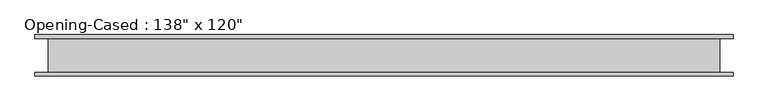
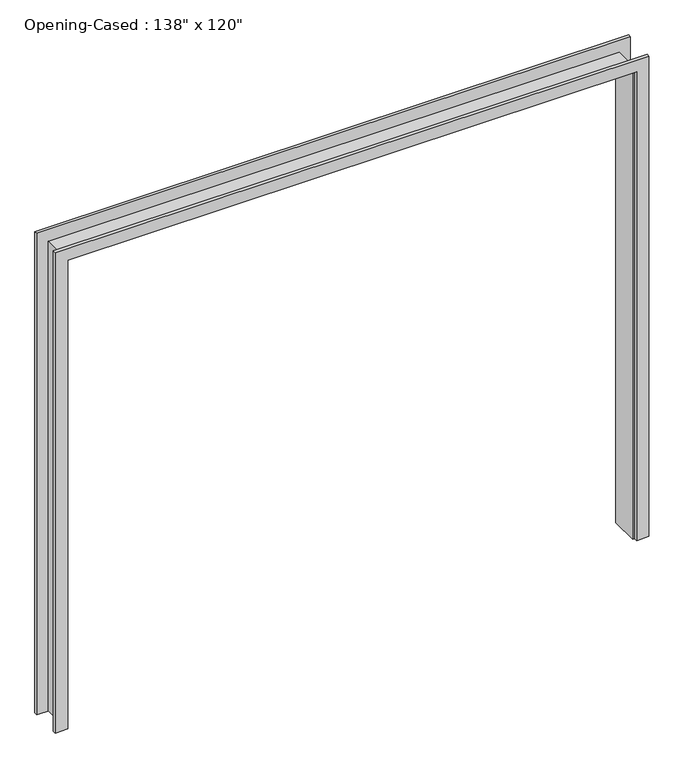
"""IFC4 building model written with IfcOpenShell, lengths in millimetres: proxy geometry."""

import ifcopenshell
import ifcopenshell.guid

model = None  # the IFC model being written
_history = None  # IfcOwnerHistory: only IFC2X3 demands one
_inside = {}  # id of a spatial element -> (the spatial element, [elements in it])
_under = {}  # id of a project, library or spatial element -> (it, [spatial elements below it])
_declared = {}  # id of a project -> (the project, [libraries it declares])
_typed = {}  # id of a type object -> (the type object, [elements of that type])
_made_of = {}  # id of a material, layer set ... -> (it, [elements and type objects made of it])


def new_model(schema):
    """Start an empty IFC model of exactly this schema.

    Asked for "IFC4X3", IfcOpenShell would pick the latest addendum, in which some entities
    have other attributes; the version numbers below select the first issue.
    IFC2X3 requires an IfcOwnerHistory on every rooted entity: one is made here for all.
    """
    global model, _history
    if schema == "IFC4X3":
        model = ifcopenshell.file(schema_version=(4, 3, 0, 0))
    else:
        model = ifcopenshell.file(schema=schema)
    _inside.clear()
    _under.clear()
    _declared.clear()
    _typed.clear()
    _made_of.clear()
    _history = None
    if model.schema == "IFC2X3":
        org = make("IfcOrganization", Name="unknown")
        user = make(
            "IfcPersonAndOrganization",
            ThePerson=make("IfcPerson", FamilyName="unknown"),
            TheOrganization=org,
        )
        app = make(
            "IfcApplication",
            ApplicationDeveloper=org,
            Version="unknown",
            ApplicationFullName="unknown",
            ApplicationIdentifier="unknown",
        )
        _history = make(
            "IfcOwnerHistory",
            OwningUser=user,
            OwningApplication=app,
            ChangeAction="ADDED",
            CreationDate=0,
        )
    return model


def make(cls, **values):
    """One entity of the class cls with the attributes given. An attribute that is None is left unset."""
    return model.create_entity(
        cls, **{name: value for name, value in values.items() if value is not None}
    )


def rooted(cls, **values):
    """An entity with a GlobalId (a new one), such as an element, a storey or a relation."""
    return make(cls, GlobalId=ifcopenshell.guid.new(), OwnerHistory=_history, **values)


def si_unit(unit_type, name, prefix=None):
    """IfcSIUnit, for example si_unit("LENGTHUNIT", "METRE", prefix="MILLI")."""
    return make("IfcSIUnit", UnitType=unit_type, Prefix=prefix, Name=name)


def assignment(units):
    """IfcUnitAssignment: the units of a project."""
    return None if units is None else make("IfcUnitAssignment", Units=units)


def point(xyz):
    """IfcCartesianPoint."""
    return None if xyz is None else make("IfcCartesianPoint", Coordinates=xyz)


def direction(xyz):
    """IfcDirection."""
    return None if xyz is None else make("IfcDirection", DirectionRatios=xyz)


def frame(location, z_axis=None, x_axis=None):
    """IfcAxis2Placement3D, a coordinate frame: its origin and axes. An axis left out is left unset."""
    return make(
        "IfcAxis2Placement3D",
        Location=point(location),
        Axis=direction(z_axis),
        RefDirection=direction(x_axis),
    )


def origin():
    """The frame at (0, 0, 0) with its axes left unset."""
    return frame((0.0, 0.0, 0.0))


def place(relative_to, where):
    """IfcLocalPlacement: puts the frame where relative to a parent placement (None: the world)."""
    return make(
        "IfcLocalPlacement", PlacementRelTo=relative_to, RelativePlacement=where
    )


def context(
    kind, dimensions, precision=None, world=None, true_north=None, identifier=None
):
    """IfcGeometricRepresentationContext, for example the 3D "Model" context."""
    return make(
        "IfcGeometricRepresentationContext",
        ContextIdentifier=identifier,
        ContextType=kind,
        CoordinateSpaceDimension=dimensions,
        Precision=precision,
        WorldCoordinateSystem=world,
        TrueNorth=true_north,
    )


def project(units=None, contexts=None):
    """IfcProject with its units and contexts."""
    return rooted(
        "IfcProject",
        Name="project",
        RepresentationContexts=contexts,
        UnitsInContext=assignment(units),
    )


def spatial(cls, under=None, at=None, **own):
    """A site, building, storey or space (cls), placed at a placement, below another one or the project."""
    s = rooted(cls, ObjectPlacement=at, **own)
    if under is not None:
        _under.setdefault(under.id(), (under, []))[1].append(s)
    return s


def polyline(points):
    """IfcPolyline through the points."""
    return make("IfcPolyline", Points=[point(p) for p in points])


def outline(outer, holes=None, kind="AREA"):
    """IfcArbitraryClosedProfileDef: a profile drawn as a closed curve; with holes, ...WithVoids."""
    if holes is None:
        return make("IfcArbitraryClosedProfileDef", ProfileType=kind, OuterCurve=outer)
    return make(
        "IfcArbitraryProfileDefWithVoids",
        ProfileType=kind,
        OuterCurve=outer,
        InnerCurves=holes,
    )


def extrude(swept, where, along, depth):
    """IfcExtrudedAreaSolid: the profile swept, set in the frame where, extruded along a direction by depth."""
    return make(
        "IfcExtrudedAreaSolid",
        SweptArea=swept,
        Position=where,
        ExtrudedDirection=direction(along),
        Depth=depth,
    )


def faces_of(points, faces, orient=None, outer=None):
    """IfcFace entities. A face is a list of loops; a loop is a list of indices into points, from 0.

    orient and outer hold one flag for each loop. By default every Orientation is true, the
    first loop of a face is its IfcFaceOuterBound and the others are IfcFaceBound.
    """
    made = []
    for i, loops in enumerate(faces):
        bounds = []
        for j, loop in enumerate(loops):
            is_outer = j == 0 if outer is None else outer[i][j]
            bounds.append(
                make(
                    "IfcFaceOuterBound" if is_outer else "IfcFaceBound",
                    Bound=make("IfcPolyLoop", Polygon=[points[k] for k in loop]),
                    Orientation=True if orient is None else orient[i][j],
                )
            )
        made.append(make("IfcFace", Bounds=bounds))
    return made


def faceted_brep(points, faces, orient=None, outer=None, voids=None):
    """IfcFacetedBrep: a solid bounded by flat faces; with voids (closed shells), ...WithVoids."""
    shared = [point(p) for p in points]
    hull = make("IfcClosedShell", CfsFaces=faces_of(shared, faces, orient, outer))
    if voids is None:
        return make("IfcFacetedBrep", Outer=hull)
    return make(
        "IfcFacetedBrepWithVoids",
        Outer=hull,
        Voids=[
            make(cls, CfsFaces=faces_of(shared, fs, o, b)) for cls, fs, o, b in voids
        ],
    )


def shape(context_of_items, identifier, shape_type, items):
    """IfcShapeRepresentation: the items that make up one representation, for example the "Body"."""
    return make(
        "IfcShapeRepresentation",
        ContextOfItems=context_of_items,
        RepresentationIdentifier=identifier,
        RepresentationType=shape_type,
        Items=items,
    )


def source(mapping_origin, context_of_items, identifier, shape_type, items):
    """IfcRepresentationMap: a shape defined once, which mapped items show again and again."""
    return make(
        "IfcRepresentationMap",
        MappingOrigin=mapping_origin,
        MappedRepresentation=shape(context_of_items, identifier, shape_type, items),
    )


def transform(
    local_origin,
    x_axis=None,
    y_axis=None,
    z_axis=None,
    scale=None,
    scale2=None,
    scale3=None,
    uniform=True,
):
    """IfcCartesianTransformationOperator3D, or its non-uniform kind. x_axis, y_axis, z_axis: its Axis1, 2, 3."""
    if uniform:
        return make(
            "IfcCartesianTransformationOperator3D",
            Axis1=direction(x_axis),
            Axis2=direction(y_axis),
            LocalOrigin=point(local_origin),
            Scale=scale,
            Axis3=direction(z_axis),
        )
    return make(
        "IfcCartesianTransformationOperator3DnonUniform",
        Axis1=direction(x_axis),
        Axis2=direction(y_axis),
        LocalOrigin=point(local_origin),
        Scale=scale,
        Axis3=direction(z_axis),
        Scale2=scale2,
        Scale3=scale3,
    )


def mapped(mapping_source, mapping_target):
    """IfcMappedItem: shows the shape of a source again, moved by a transform."""
    return make(
        "IfcMappedItem", MappingSource=mapping_source, MappingTarget=mapping_target
    )


def made_of(thing, what):
    """Note that an element or type object is made of a material, layer set ...; save() writes the relation."""
    if what is not None:
        _made_of.setdefault(what.id(), (what, []))[1].append(thing)
    return thing


def element(
    cls,
    number,
    at=None,
    inside=None,
    cuts=None,
    type_object=None,
    material=None,
    context=None,
    identifier="Body",
    shape_type=None,
    held_by="IfcProductDefinitionShape",
    body=None,
    shapes=None,
    **own,
):
    """One element of the class cls, such as IfcWall. Its Tag is "e" and its number.

    at: its placement. inside: the storey or other place that contains it. cuts: it is an
    opening in that element (IfcRelVoidsElement). A single representation is given by context,
    identifier, shape_type and body (its items); several are given by shapes. held_by: the class
    of the entity that holds the representations. save() writes the other relations.
    """
    e = rooted(cls, Tag="e%d" % number, ObjectPlacement=at, **own)
    if body is not None:
        shapes = [shape(context, identifier, shape_type, body)]
    if shapes is not None:
        e.Representation = make(held_by, Representations=shapes)
    if inside is not None:
        _inside.setdefault(inside.id(), (inside, []))[1].append(e)
    if cuts is not None:
        rooted(
            "IfcRelVoidsElement", RelatingBuildingElement=cuts, RelatedOpeningElement=e
        )
    if type_object is not None:
        _typed.setdefault(type_object.id(), (type_object, []))[1].append(e)
    return made_of(e, material)


def aggregate(whole, parts):
    """IfcRelAggregates: a whole, such as a stair, and the parts it consists of."""
    return rooted("IfcRelAggregates", RelatingObject=whole, RelatedObjects=parts)


def save(model, path):
    """Write the relations noted so far, then the file.

    IfcRelAggregates (storeys below a building ...), IfcRelContainedInSpatialStructure (elements
    in a storey), IfcRelDefinesByType, IfcRelAssociatesMaterial and IfcRelDeclares: one each for
    every whole, place, type object, material and project.
    """
    for whole, parts in _under.values():
        aggregate(whole, parts)
    for where, things in _inside.values():
        rooted(
            "IfcRelContainedInSpatialStructure",
            RelatedElements=things,
            RelatingStructure=where,
        )
    for kind, things in _typed.values():
        rooted("IfcRelDefinesByType", RelatedObjects=things, RelatingType=kind)
    for what, things in _made_of.values():
        rooted("IfcRelAssociatesMaterial", RelatedObjects=things, RelatingMaterial=what)
    for by, libraries in _declared.values():
        rooted("IfcRelDeclares", RelatingContext=by, RelatedDefinitions=libraries)
    model.write(path)


def proxy_bf856442(model_context):
    return source(origin(), model_context, "Body", "SolidModel", [
        extrude(outline(polyline([(0.0, -1754.4386567), (3041.65, -1754.4386567), (3041.65, 1738.0613433), (0.0, 1738.0613433), (0.0, 1814.2613433), (3117.85, 1814.2613433), (3117.85, -1830.6386567), (0.0, -1830.6386567), (0.0, -1754.4386567)])), frame((0.0, -107.95, 0.0), z_axis=(0.0, 1.0, 0.0), x_axis=(0.0, 0.0, 1.0)), (0.0, 0.0, 1.0), 19.05),
        extrude(outline(polyline([(0.0, 1814.2613433), (3124.2, 1814.2613433), (3124.2, -1830.6386567), (0.0, -1830.6386567), (0.0, -1754.4386567), (3041.65, -1754.4386567), (3041.65, 1738.0613433), (0.0, 1738.0613433), (0.0, 1814.2613433)])), frame((0.0, 88.9, 0.0), z_axis=(0.0, 1.0, 0.0), x_axis=(0.0, 0.0, 1.0)), (0.0, 0.0, 1.0), 19.05),
        faceted_brep([(1725.3613433, 88.9, 0.0), (1744.4113433, 88.9, 0.0), (1744.4113433, -88.9, 0.0), (1725.3613433, -88.9, 0.0), (1725.3613433, 88.9, 3028.95), (1744.4113433, 88.9, 3048.0), (1744.4113433, -88.9, 3048.0), (1725.3613433, -88.9, 3028.95), (-1741.7386567, 88.9, 3028.95), (-1760.7886567, 88.9, 3048.0), (-1760.7886567, -88.9, 3048.0), (-1741.7386567, -88.9, 3028.95), (-1741.7386567, 88.9, 0.0), (-1741.7386567, -88.9, 0.0), (-1760.7886567, -88.9, 0.0), (-1760.7886567, 88.9, 0.0)], [[[0, 1, 2, 3]], [[1, 0, 4, 5]], [[2, 1, 5, 6]], [[3, 2, 6, 7]], [[0, 3, 7, 4]], [[5, 4, 8, 9]], [[6, 5, 9, 10]], [[7, 6, 10, 11]], [[4, 7, 11, 8]], [[12, 13, 14, 15]], [[9, 8, 12, 15]], [[10, 9, 15, 14]], [[11, 10, 14, 13]], [[8, 11, 13, 12]]]),
    ])


if __name__ == "__main__":
    model = new_model("IFC4")
    model_context = context("Model", 3, world=origin())
    ifc_project = project(units=[si_unit("LENGTHUNIT", "METRE", prefix="MILLI")], contexts=[model_context])
    site = spatial("IfcSite", under=ifc_project)
    building = spatial("IfcBuilding", under=site)
    placement = place(None, origin())
    proxy_shape = proxy_bf856442(model_context)
    element("IfcBuildingElementProxy", 1, Name="Opening-Cased : 138\" x 120\"", ObjectType="Opening-Cased : 138\" x 120\"", at=placement, inside=building, context=model_context, shape_type="MappedRepresentation", body=[
        mapped(proxy_shape, transform((0.0, 0.0, 0.0), x_axis=(1.0, 0.0, 0.0), y_axis=(0.0, 1.0, 0.0), z_axis=(0.0, 0.0, 1.0))),
    ])
    save(model, "model.ifc")
